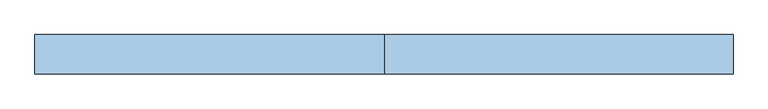
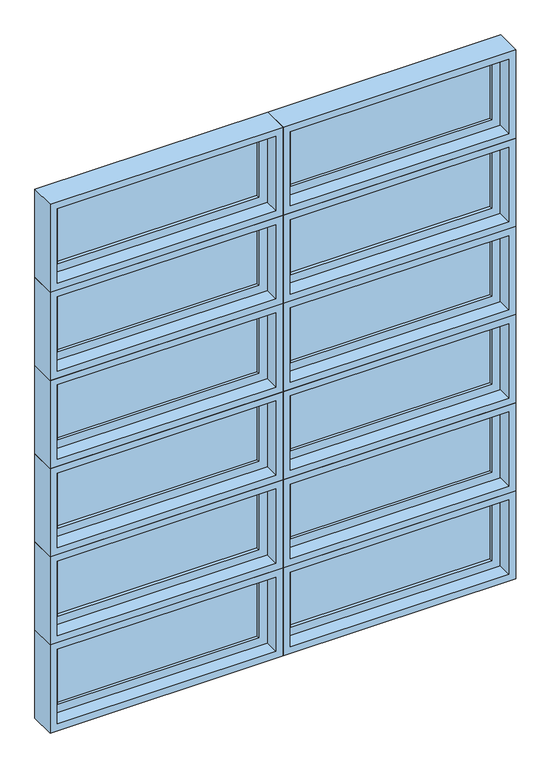
"""IFC4 building model written with IfcOpenShell, lengths in millimetres: window geometry."""

from ifc_helpers import new_model, si_unit, frame, origin, place, context, project, spatial, polyline, outline, extrude, faceted_brep, source, transform, mapped, element, save


def window_d417f07d(model_context):
    return source(origin(), model_context, "Body", "SolidModel", [
        faceted_brep([(-1891.8781766, 42.8625, 2959.1), (-901.2781766, 42.8625, 2959.1), (-901.2781766, 93.6625, 2959.1), (-1891.8781766, 93.6625, 2959.1), (-1872.8281766, -20.6375, 2978.15), (-920.3281766, -20.6375, 2978.15), (-920.3281766, 42.8625, 2978.15), (-1872.8281766, 42.8625, 2978.15), (-1904.5781766, 93.6625, 2946.4), (-888.5781766, 93.6625, 2946.4), (-888.5781766, -20.6375, 2946.4), (-1904.5781766, -20.6375, 2946.4), (-901.2781766, 42.8625, 3340.1), (-901.2781766, 93.6625, 3340.1), (-920.3281766, -20.6375, 3321.05), (-920.3281766, 42.8625, 3321.05), (-888.5781766, 93.6625, 3352.8), (-888.5781766, -20.6375, 3352.8), (-1891.8781766, 42.8625, 3340.1), (-1891.8781766, 93.6625, 3340.1), (-1872.8281766, -20.6375, 3321.05), (-1872.8281766, 42.8625, 3321.05), (-1904.5781766, 93.6625, 3352.8), (-1904.5781766, -20.6375, 3352.8)], [[[0, 1, 2, 3]], [[4, 5, 6, 7]], [[8, 9, 10, 11]], [[1, 12, 13, 2]], [[5, 14, 15, 6]], [[9, 16, 17, 10]], [[12, 18, 19, 13]], [[14, 20, 21, 15]], [[16, 22, 23, 17]], [[9, 8, 22, 16], [3, 2, 13, 19]], [[18, 0, 3, 19]], [[1, 0, 18, 12], [7, 6, 15, 21]], [[20, 4, 7, 21]], [[11, 10, 17, 23], [5, 4, 20, 14]], [[22, 8, 11, 23]]]),
        extrude(outline(polyline([(-1834.7281766, 74.6125), (-958.4281766, 74.6125), (-958.4281766, 68.2625), (-1834.7281766, 68.2625), (-1834.7281766, 74.6125)])), frame((0.0, 0.0, 3016.25), z_axis=(0.0, 0.0, 1.0), x_axis=(1.0, 0.0, 0.0)), (0.0, 0.0, 1.0), 266.7),
        extrude(outline(polyline([(-1834.7281766, 61.9125), (-958.4281766, 61.9125), (-958.4281766, 55.5625), (-1834.7281766, 55.5625), (-1834.7281766, 61.9125)])), frame((0.0, 0.0, 3016.25), z_axis=(0.0, 0.0, 1.0), x_axis=(1.0, 0.0, 0.0)), (0.0, 0.0, 1.0), 266.7),
        extrude(outline(polyline([(2959.1, -901.2781766), (3340.1, -901.2781766), (3340.1, -1891.8781766), (2959.1, -1891.8781766), (2959.1, -901.2781766)]), holes=[polyline([(3282.95, -958.4281766), (3016.25, -958.4281766), (3016.25, -1834.7281766), (3282.95, -1834.7281766), (3282.95, -958.4281766)])]), frame((0.0, 42.8625, 0.0), z_axis=(0.0, 1.0, 0.0), x_axis=(0.0, 0.0, 1.0)), (0.0, 0.0, 1.0), 44.45),
        faceted_brep([(-875.8781766, 42.8625, 2959.1), (114.7218234, 42.8625, 2959.1), (114.7218234, 93.6625, 2959.1), (-875.8781766, 93.6625, 2959.1), (-856.8281766, -20.6375, 2978.15), (95.6718234, -20.6375, 2978.15), (95.6718234, 42.8625, 2978.15), (-856.8281766, 42.8625, 2978.15), (-888.5781766, 93.6625, 2946.4), (127.4218234, 93.6625, 2946.4), (127.4218234, -20.6375, 2946.4), (-888.5781766, -20.6375, 2946.4), (114.7218234, 42.8625, 3340.1), (114.7218234, 93.6625, 3340.1), (95.6718234, -20.6375, 3321.05), (95.6718234, 42.8625, 3321.05), (127.4218234, 93.6625, 3352.8), (127.4218234, -20.6375, 3352.8), (-875.8781766, 42.8625, 3340.1), (-875.8781766, 93.6625, 3340.1), (-856.8281766, -20.6375, 3321.05), (-856.8281766, 42.8625, 3321.05), (-888.5781766, 93.6625, 3352.8), (-888.5781766, -20.6375, 3352.8)], [[[0, 1, 2, 3]], [[4, 5, 6, 7]], [[8, 9, 10, 11]], [[1, 12, 13, 2]], [[5, 14, 15, 6]], [[9, 16, 17, 10]], [[12, 18, 19, 13]], [[14, 20, 21, 15]], [[16, 22, 23, 17]], [[9, 8, 22, 16], [3, 2, 13, 19]], [[18, 0, 3, 19]], [[1, 0, 18, 12], [7, 6, 15, 21]], [[20, 4, 7, 21]], [[11, 10, 17, 23], [5, 4, 20, 14]], [[22, 8, 11, 23]]]),
        extrude(outline(polyline([(-818.7281766, 74.6125), (57.5718234, 74.6125), (57.5718234, 68.2625), (-818.7281766, 68.2625), (-818.7281766, 74.6125)])), frame((0.0, 0.0, 3016.25), z_axis=(0.0, 0.0, 1.0), x_axis=(1.0, 0.0, 0.0)), (0.0, 0.0, 1.0), 266.7),
        extrude(outline(polyline([(-818.7281766, 61.9125), (57.5718234, 61.9125), (57.5718234, 55.5625), (-818.7281766, 55.5625), (-818.7281766, 61.9125)])), frame((0.0, 0.0, 3016.25), z_axis=(0.0, 0.0, 1.0), x_axis=(1.0, 0.0, 0.0)), (0.0, 0.0, 1.0), 266.7),
        extrude(outline(polyline([(2959.1, 114.7218234), (3340.1, 114.7218234), (3340.1, -875.8781766), (2959.1, -875.8781766), (2959.1, 114.7218234)]), holes=[polyline([(3282.95, 57.5718234), (3016.25, 57.5718234), (3016.25, -818.7281766), (3282.95, -818.7281766), (3282.95, 57.5718234)])]), frame((0.0, 42.8625, 0.0), z_axis=(0.0, 1.0, 0.0), x_axis=(0.0, 0.0, 1.0)), (0.0, 0.0, 1.0), 44.45),
        faceted_brep([(-875.8781766, 42.8625, 2552.7), (114.7218234, 42.8625, 2552.7), (114.7218234, 93.6625, 2552.7), (-875.8781766, 93.6625, 2552.7), (-856.8281766, -20.6375, 2571.75), (95.6718234, -20.6375, 2571.75), (95.6718234, 42.8625, 2571.75), (-856.8281766, 42.8625, 2571.75), (-888.5781766, 93.6625, 2540.0), (127.4218234, 93.6625, 2540.0), (127.4218234, -20.6375, 2540.0), (-888.5781766, -20.6375, 2540.0), (114.7218234, 42.8625, 2933.7), (114.7218234, 93.6625, 2933.7), (95.6718234, -20.6375, 2914.65), (95.6718234, 42.8625, 2914.65), (127.4218234, 93.6625, 2946.4), (127.4218234, -20.6375, 2946.4), (-875.8781766, 42.8625, 2933.7), (-875.8781766, 93.6625, 2933.7), (-856.8281766, -20.6375, 2914.65), (-856.8281766, 42.8625, 2914.65), (-888.5781766, 93.6625, 2946.4), (-888.5781766, -20.6375, 2946.4)], [[[0, 1, 2, 3]], [[4, 5, 6, 7]], [[8, 9, 10, 11]], [[1, 12, 13, 2]], [[5, 14, 15, 6]], [[9, 16, 17, 10]], [[12, 18, 19, 13]], [[14, 20, 21, 15]], [[16, 22, 23, 17]], [[9, 8, 22, 16], [3, 2, 13, 19]], [[18, 0, 3, 19]], [[1, 0, 18, 12], [7, 6, 15, 21]], [[20, 4, 7, 21]], [[11, 10, 17, 23], [5, 4, 20, 14]], [[22, 8, 11, 23]]]),
        extrude(outline(polyline([(-818.7281766, 74.6125), (57.5718234, 74.6125), (57.5718234, 68.2625), (-818.7281766, 68.2625), (-818.7281766, 74.6125)])), frame((0.0, 0.0, 2609.85), z_axis=(0.0, 0.0, 1.0), x_axis=(1.0, 0.0, 0.0)), (0.0, 0.0, 1.0), 266.7),
        extrude(outline(polyline([(-818.7281766, 61.9125), (57.5718234, 61.9125), (57.5718234, 55.5625), (-818.7281766, 55.5625), (-818.7281766, 61.9125)])), frame((0.0, 0.0, 2609.85), z_axis=(0.0, 0.0, 1.0), x_axis=(1.0, 0.0, 0.0)), (0.0, 0.0, 1.0), 266.7),
        extrude(outline(polyline([(2552.7, 114.7218234), (2933.7, 114.7218234), (2933.7, -875.8781766), (2552.7, -875.8781766), (2552.7, 114.7218234)]), holes=[polyline([(2876.55, 57.5718234), (2609.85, 57.5718234), (2609.85, -818.7281766), (2876.55, -818.7281766), (2876.55, 57.5718234)])]), frame((0.0, 42.8625, 0.0), z_axis=(0.0, 1.0, 0.0), x_axis=(0.0, 0.0, 1.0)), (0.0, 0.0, 1.0), 44.45),
        faceted_brep([(-1891.8781766, 42.8625, 2552.7), (-901.2781766, 42.8625, 2552.7), (-901.2781766, 93.6625, 2552.7), (-1891.8781766, 93.6625, 2552.7), (-1872.8281766, -20.6375, 2571.75), (-920.3281766, -20.6375, 2571.75), (-920.3281766, 42.8625, 2571.75), (-1872.8281766, 42.8625, 2571.75), (-1904.5781766, 93.6625, 2540.0), (-888.5781766, 93.6625, 2540.0), (-888.5781766, -20.6375, 2540.0), (-1904.5781766, -20.6375, 2540.0), (-901.2781766, 42.8625, 2933.7), (-901.2781766, 93.6625, 2933.7), (-920.3281766, -20.6375, 2914.65), (-920.3281766, 42.8625, 2914.65), (-888.5781766, 93.6625, 2946.4), (-888.5781766, -20.6375, 2946.4), (-1891.8781766, 42.8625, 2933.7), (-1891.8781766, 93.6625, 2933.7), (-1872.8281766, -20.6375, 2914.65), (-1872.8281766, 42.8625, 2914.65), (-1904.5781766, 93.6625, 2946.4), (-1904.5781766, -20.6375, 2946.4)], [[[0, 1, 2, 3]], [[4, 5, 6, 7]], [[8, 9, 10, 11]], [[1, 12, 13, 2]], [[5, 14, 15, 6]], [[9, 16, 17, 10]], [[12, 18, 19, 13]], [[14, 20, 21, 15]], [[16, 22, 23, 17]], [[9, 8, 22, 16], [3, 2, 13, 19]], [[18, 0, 3, 19]], [[1, 0, 18, 12], [7, 6, 15, 21]], [[20, 4, 7, 21]], [[11, 10, 17, 23], [5, 4, 20, 14]], [[22, 8, 11, 23]]]),
        extrude(outline(polyline([(-1834.7281766, 74.6125), (-958.4281766, 74.6125), (-958.4281766, 68.2625), (-1834.7281766, 68.2625), (-1834.7281766, 74.6125)])), frame((0.0, 0.0, 2609.85), z_axis=(0.0, 0.0, 1.0), x_axis=(1.0, 0.0, 0.0)), (0.0, 0.0, 1.0), 266.7),
        extrude(outline(polyline([(-1834.7281766, 61.9125), (-958.4281766, 61.9125), (-958.4281766, 55.5625), (-1834.7281766, 55.5625), (-1834.7281766, 61.9125)])), frame((0.0, 0.0, 2609.85), z_axis=(0.0, 0.0, 1.0), x_axis=(1.0, 0.0, 0.0)), (0.0, 0.0, 1.0), 266.7),
        extrude(outline(polyline([(2552.7, -901.2781766), (2933.7, -901.2781766), (2933.7, -1891.8781766), (2552.7, -1891.8781766), (2552.7, -901.2781766)]), holes=[polyline([(2876.55, -958.4281766), (2609.85, -958.4281766), (2609.85, -1834.7281766), (2876.55, -1834.7281766), (2876.55, -958.4281766)])]), frame((0.0, 42.8625, 0.0), z_axis=(0.0, 1.0, 0.0), x_axis=(0.0, 0.0, 1.0)), (0.0, 0.0, 1.0), 44.45),
        faceted_brep([(-875.8781766, 42.8625, 2146.3), (114.7218234, 42.8625, 2146.3), (114.7218234, 93.6625, 2146.3), (-875.8781766, 93.6625, 2146.3), (-856.8281766, -20.6375, 2165.35), (95.6718234, -20.6375, 2165.35), (95.6718234, 42.8625, 2165.35), (-856.8281766, 42.8625, 2165.35), (-888.5781766, 93.6625, 2133.6), (127.4218234, 93.6625, 2133.6), (127.4218234, -20.6375, 2133.6), (-888.5781766, -20.6375, 2133.6), (114.7218234, 42.8625, 2527.3), (114.7218234, 93.6625, 2527.3), (95.6718234, -20.6375, 2508.25), (95.6718234, 42.8625, 2508.25), (127.4218234, 93.6625, 2540.0), (127.4218234, -20.6375, 2540.0), (-875.8781766, 42.8625, 2527.3), (-875.8781766, 93.6625, 2527.3), (-856.8281766, -20.6375, 2508.25), (-856.8281766, 42.8625, 2508.25), (-888.5781766, 93.6625, 2540.0), (-888.5781766, -20.6375, 2540.0)], [[[0, 1, 2, 3]], [[4, 5, 6, 7]], [[8, 9, 10, 11]], [[1, 12, 13, 2]], [[5, 14, 15, 6]], [[9, 16, 17, 10]], [[12, 18, 19, 13]], [[14, 20, 21, 15]], [[16, 22, 23, 17]], [[9, 8, 22, 16], [3, 2, 13, 19]], [[18, 0, 3, 19]], [[1, 0, 18, 12], [7, 6, 15, 21]], [[20, 4, 7, 21]], [[11, 10, 17, 23], [5, 4, 20, 14]], [[22, 8, 11, 23]]]),
        extrude(outline(polyline([(-818.7281766, 74.6125), (57.5718234, 74.6125), (57.5718234, 68.2625), (-818.7281766, 68.2625), (-818.7281766, 74.6125)])), frame((0.0, 0.0, 2203.45), z_axis=(0.0, 0.0, 1.0), x_axis=(1.0, 0.0, 0.0)), (0.0, 0.0, 1.0), 266.7),
        extrude(outline(polyline([(-818.7281766, 61.9125), (57.5718234, 61.9125), (57.5718234, 55.5625), (-818.7281766, 55.5625), (-818.7281766, 61.9125)])), frame((0.0, 0.0, 2203.45), z_axis=(0.0, 0.0, 1.0), x_axis=(1.0, 0.0, 0.0)), (0.0, 0.0, 1.0), 266.7),
        extrude(outline(polyline([(2146.3, 114.7218234), (2527.3, 114.7218234), (2527.3, -875.8781766), (2146.3, -875.8781766), (2146.3, 114.7218234)]), holes=[polyline([(2470.15, 57.5718234), (2203.45, 57.5718234), (2203.45, -818.7281766), (2470.15, -818.7281766), (2470.15, 57.5718234)])]), frame((0.0, 42.8625, 0.0), z_axis=(0.0, 1.0, 0.0), x_axis=(0.0, 0.0, 1.0)), (0.0, 0.0, 1.0), 44.45),
        faceted_brep([(-1891.8781766, 42.8625, 2146.3), (-901.2781766, 42.8625, 2146.3), (-901.2781766, 93.6625, 2146.3), (-1891.8781766, 93.6625, 2146.3), (-1872.8281766, -20.6375, 2165.35), (-920.3281766, -20.6375, 2165.35), (-920.3281766, 42.8625, 2165.35), (-1872.8281766, 42.8625, 2165.35), (-1904.5781766, 93.6625, 2133.6), (-888.5781766, 93.6625, 2133.6), (-888.5781766, -20.6375, 2133.6), (-1904.5781766, -20.6375, 2133.6), (-901.2781766, 42.8625, 2527.3), (-901.2781766, 93.6625, 2527.3), (-920.3281766, -20.6375, 2508.25), (-920.3281766, 42.8625, 2508.25), (-888.5781766, 93.6625, 2540.0), (-888.5781766, -20.6375, 2540.0), (-1891.8781766, 42.8625, 2527.3), (-1891.8781766, 93.6625, 2527.3), (-1872.8281766, -20.6375, 2508.25), (-1872.8281766, 42.8625, 2508.25), (-1904.5781766, 93.6625, 2540.0), (-1904.5781766, -20.6375, 2540.0)], [[[0, 1, 2, 3]], [[4, 5, 6, 7]], [[8, 9, 10, 11]], [[1, 12, 13, 2]], [[5, 14, 15, 6]], [[9, 16, 17, 10]], [[12, 18, 19, 13]], [[14, 20, 21, 15]], [[16, 22, 23, 17]], [[9, 8, 22, 16], [3, 2, 13, 19]], [[18, 0, 3, 19]], [[1, 0, 18, 12], [7, 6, 15, 21]], [[20, 4, 7, 21]], [[11, 10, 17, 23], [5, 4, 20, 14]], [[22, 8, 11, 23]]]),
        extrude(outline(polyline([(-1834.7281766, 74.6125), (-958.4281766, 74.6125), (-958.4281766, 68.2625), (-1834.7281766, 68.2625), (-1834.7281766, 74.6125)])), frame((0.0, 0.0, 2203.45), z_axis=(0.0, 0.0, 1.0), x_axis=(1.0, 0.0, 0.0)), (0.0, 0.0, 1.0), 266.7),
        extrude(outline(polyline([(-1834.7281766, 61.9125), (-958.4281766, 61.9125), (-958.4281766, 55.5625), (-1834.7281766, 55.5625), (-1834.7281766, 61.9125)])), frame((0.0, 0.0, 2203.45), z_axis=(0.0, 0.0, 1.0), x_axis=(1.0, 0.0, 0.0)), (0.0, 0.0, 1.0), 266.7),
        extrude(outline(polyline([(2146.3, -901.2781766), (2527.3, -901.2781766), (2527.3, -1891.8781766), (2146.3, -1891.8781766), (2146.3, -901.2781766)]), holes=[polyline([(2470.15, -958.4281766), (2203.45, -958.4281766), (2203.45, -1834.7281766), (2470.15, -1834.7281766), (2470.15, -958.4281766)])]), frame((0.0, 42.8625, 0.0), z_axis=(0.0, 1.0, 0.0), x_axis=(0.0, 0.0, 1.0)), (0.0, 0.0, 1.0), 44.45),
        faceted_brep([(-875.8781766, 42.8625, 1739.9), (114.7218234, 42.8625, 1739.9), (114.7218234, 93.6625, 1739.9), (-875.8781766, 93.6625, 1739.9), (-856.8281766, -20.6375, 1758.95), (95.6718234, -20.6375, 1758.95), (95.6718234, 42.8625, 1758.95), (-856.8281766, 42.8625, 1758.95), (-888.5781766, 93.6625, 1727.2), (127.4218234, 93.6625, 1727.2), (127.4218234, -20.6375, 1727.2), (-888.5781766, -20.6375, 1727.2), (114.7218234, 42.8625, 2120.9), (114.7218234, 93.6625, 2120.9), (95.6718234, -20.6375, 2101.85), (95.6718234, 42.8625, 2101.85), (127.4218234, 93.6625, 2133.6), (127.4218234, -20.6375, 2133.6), (-875.8781766, 42.8625, 2120.9), (-875.8781766, 93.6625, 2120.9), (-856.8281766, -20.6375, 2101.85), (-856.8281766, 42.8625, 2101.85), (-888.5781766, 93.6625, 2133.6), (-888.5781766, -20.6375, 2133.6)], [[[0, 1, 2, 3]], [[4, 5, 6, 7]], [[8, 9, 10, 11]], [[1, 12, 13, 2]], [[5, 14, 15, 6]], [[9, 16, 17, 10]], [[12, 18, 19, 13]], [[14, 20, 21, 15]], [[16, 22, 23, 17]], [[9, 8, 22, 16], [3, 2, 13, 19]], [[18, 0, 3, 19]], [[1, 0, 18, 12], [7, 6, 15, 21]], [[20, 4, 7, 21]], [[11, 10, 17, 23], [5, 4, 20, 14]], [[22, 8, 11, 23]]]),
        extrude(outline(polyline([(-818.7281766, 74.6125), (57.5718234, 74.6125), (57.5718234, 68.2625), (-818.7281766, 68.2625), (-818.7281766, 74.6125)])), frame((0.0, 0.0, 1797.05), z_axis=(0.0, 0.0, 1.0), x_axis=(1.0, 0.0, 0.0)), (0.0, 0.0, 1.0), 266.7),
        extrude(outline(polyline([(-818.7281766, 61.9125), (57.5718234, 61.9125), (57.5718234, 55.5625), (-818.7281766, 55.5625), (-818.7281766, 61.9125)])), frame((0.0, 0.0, 1797.05), z_axis=(0.0, 0.0, 1.0), x_axis=(1.0, 0.0, 0.0)), (0.0, 0.0, 1.0), 266.7),
        extrude(outline(polyline([(1739.9, 114.7218234), (2120.9, 114.7218234), (2120.9, -875.8781766), (1739.9, -875.8781766), (1739.9, 114.7218234)]), holes=[polyline([(2063.75, 57.5718234), (1797.05, 57.5718234), (1797.05, -818.7281766), (2063.75, -818.7281766), (2063.75, 57.5718234)])]), frame((0.0, 42.8625, 0.0), z_axis=(0.0, 1.0, 0.0), x_axis=(0.0, 0.0, 1.0)), (0.0, 0.0, 1.0), 44.45),
        faceted_brep([(-1891.8781766, 42.8625, 1739.9), (-901.2781766, 42.8625, 1739.9), (-901.2781766, 93.6625, 1739.9), (-1891.8781766, 93.6625, 1739.9), (-1872.8281766, -20.6375, 1758.95), (-920.3281766, -20.6375, 1758.95), (-920.3281766, 42.8625, 1758.95), (-1872.8281766, 42.8625, 1758.95), (-1904.5781766, 93.6625, 1727.2), (-888.5781766, 93.6625, 1727.2), (-888.5781766, -20.6375, 1727.2), (-1904.5781766, -20.6375, 1727.2), (-901.2781766, 42.8625, 2120.9), (-901.2781766, 93.6625, 2120.9), (-920.3281766, -20.6375, 2101.85), (-920.3281766, 42.8625, 2101.85), (-888.5781766, 93.6625, 2133.6), (-888.5781766, -20.6375, 2133.6), (-1891.8781766, 42.8625, 2120.9), (-1891.8781766, 93.6625, 2120.9), (-1872.8281766, -20.6375, 2101.85), (-1872.8281766, 42.8625, 2101.85), (-1904.5781766, 93.6625, 2133.6), (-1904.5781766, -20.6375, 2133.6)], [[[0, 1, 2, 3]], [[4, 5, 6, 7]], [[8, 9, 10, 11]], [[1, 12, 13, 2]], [[5, 14, 15, 6]], [[9, 16, 17, 10]], [[12, 18, 19, 13]], [[14, 20, 21, 15]], [[16, 22, 23, 17]], [[9, 8, 22, 16], [3, 2, 13, 19]], [[18, 0, 3, 19]], [[1, 0, 18, 12], [7, 6, 15, 21]], [[20, 4, 7, 21]], [[11, 10, 17, 23], [5, 4, 20, 14]], [[22, 8, 11, 23]]]),
        extrude(outline(polyline([(-1834.7281766, 74.6125), (-958.4281766, 74.6125), (-958.4281766, 68.2625), (-1834.7281766, 68.2625), (-1834.7281766, 74.6125)])), frame((0.0, 0.0, 1797.05), z_axis=(0.0, 0.0, 1.0), x_axis=(1.0, 0.0, 0.0)), (0.0, 0.0, 1.0), 266.7),
        extrude(outline(polyline([(-1834.7281766, 61.9125), (-958.4281766, 61.9125), (-958.4281766, 55.5625), (-1834.7281766, 55.5625), (-1834.7281766, 61.9125)])), frame((0.0, 0.0, 1797.05), z_axis=(0.0, 0.0, 1.0), x_axis=(1.0, 0.0, 0.0)), (0.0, 0.0, 1.0), 266.7),
        extrude(outline(polyline([(1739.9, -901.2781766), (2120.9, -901.2781766), (2120.9, -1891.8781766), (1739.9, -1891.8781766), (1739.9, -901.2781766)]), holes=[polyline([(2063.75, -958.4281766), (1797.05, -958.4281766), (1797.05, -1834.7281766), (2063.75, -1834.7281766), (2063.75, -958.4281766)])]), frame((0.0, 42.8625, 0.0), z_axis=(0.0, 1.0, 0.0), x_axis=(0.0, 0.0, 1.0)), (0.0, 0.0, 1.0), 44.45),
        faceted_brep([(-875.8781766, 42.8625, 1333.5), (114.7218234, 42.8625, 1333.5), (114.7218234, 93.6625, 1333.5), (-875.8781766, 93.6625, 1333.5), (-856.8281766, -20.6375, 1352.55), (95.6718234, -20.6375, 1352.55), (95.6718234, 42.8625, 1352.55), (-856.8281766, 42.8625, 1352.55), (-888.5781766, 93.6625, 1320.8), (127.4218234, 93.6625, 1320.8), (127.4218234, -20.6375, 1320.8), (-888.5781766, -20.6375, 1320.8), (114.7218234, 42.8625, 1714.5), (114.7218234, 93.6625, 1714.5), (95.6718234, -20.6375, 1695.45), (95.6718234, 42.8625, 1695.45), (127.4218234, 93.6625, 1727.2), (127.4218234, -20.6375, 1727.2), (-875.8781766, 42.8625, 1714.5), (-875.8781766, 93.6625, 1714.5), (-856.8281766, -20.6375, 1695.45), (-856.8281766, 42.8625, 1695.45), (-888.5781766, 93.6625, 1727.2), (-888.5781766, -20.6375, 1727.2)], [[[0, 1, 2, 3]], [[4, 5, 6, 7]], [[8, 9, 10, 11]], [[1, 12, 13, 2]], [[5, 14, 15, 6]], [[9, 16, 17, 10]], [[12, 18, 19, 13]], [[14, 20, 21, 15]], [[16, 22, 23, 17]], [[9, 8, 22, 16], [3, 2, 13, 19]], [[18, 0, 3, 19]], [[1, 0, 18, 12], [7, 6, 15, 21]], [[20, 4, 7, 21]], [[11, 10, 17, 23], [5, 4, 20, 14]], [[22, 8, 11, 23]]]),
        extrude(outline(polyline([(-818.7281766, 74.6125), (57.5718234, 74.6125), (57.5718234, 68.2625), (-818.7281766, 68.2625), (-818.7281766, 74.6125)])), frame((0.0, 0.0, 1390.65), z_axis=(0.0, 0.0, 1.0), x_axis=(1.0, 0.0, 0.0)), (0.0, 0.0, 1.0), 266.7),
        extrude(outline(polyline([(-818.7281766, 61.9125), (57.5718234, 61.9125), (57.5718234, 55.5625), (-818.7281766, 55.5625), (-818.7281766, 61.9125)])), frame((0.0, 0.0, 1390.65), z_axis=(0.0, 0.0, 1.0), x_axis=(1.0, 0.0, 0.0)), (0.0, 0.0, 1.0), 266.7),
        extrude(outline(polyline([(1333.5, 114.7218234), (1714.5, 114.7218234), (1714.5, -875.8781766), (1333.5, -875.8781766), (1333.5, 114.7218234)]), holes=[polyline([(1657.35, 57.5718234), (1390.65, 57.5718234), (1390.65, -818.7281766), (1657.35, -818.7281766), (1657.35, 57.5718234)])]), frame((0.0, 42.8625, 0.0), z_axis=(0.0, 1.0, 0.0), x_axis=(0.0, 0.0, 1.0)), (0.0, 0.0, 1.0), 44.45),
        faceted_brep([(-1891.8781766, 42.8625, 1333.5), (-901.2781766, 42.8625, 1333.5), (-901.2781766, 93.6625, 1333.5), (-1891.8781766, 93.6625, 1333.5), (-1872.8281766, -20.6375, 1352.55), (-920.3281766, -20.6375, 1352.55), (-920.3281766, 42.8625, 1352.55), (-1872.8281766, 42.8625, 1352.55), (-1904.5781766, 93.6625, 1320.8), (-888.5781766, 93.6625, 1320.8), (-888.5781766, -20.6375, 1320.8), (-1904.5781766, -20.6375, 1320.8), (-901.2781766, 42.8625, 1714.5), (-901.2781766, 93.6625, 1714.5), (-920.3281766, -20.6375, 1695.45), (-920.3281766, 42.8625, 1695.45), (-888.5781766, 93.6625, 1727.2), (-888.5781766, -20.6375, 1727.2), (-1891.8781766, 42.8625, 1714.5), (-1891.8781766, 93.6625, 1714.5), (-1872.8281766, -20.6375, 1695.45), (-1872.8281766, 42.8625, 1695.45), (-1904.5781766, 93.6625, 1727.2), (-1904.5781766, -20.6375, 1727.2)], [[[0, 1, 2, 3]], [[4, 5, 6, 7]], [[8, 9, 10, 11]], [[1, 12, 13, 2]], [[5, 14, 15, 6]], [[9, 16, 17, 10]], [[12, 18, 19, 13]], [[14, 20, 21, 15]], [[16, 22, 23, 17]], [[9, 8, 22, 16], [3, 2, 13, 19]], [[18, 0, 3, 19]], [[1, 0, 18, 12], [7, 6, 15, 21]], [[20, 4, 7, 21]], [[11, 10, 17, 23], [5, 4, 20, 14]], [[22, 8, 11, 23]]]),
        extrude(outline(polyline([(-1834.7281766, 74.6125), (-958.4281766, 74.6125), (-958.4281766, 68.2625), (-1834.7281766, 68.2625), (-1834.7281766, 74.6125)])), frame((0.0, 0.0, 1390.65), z_axis=(0.0, 0.0, 1.0), x_axis=(1.0, 0.0, 0.0)), (0.0, 0.0, 1.0), 266.7),
        extrude(outline(polyline([(-1834.7281766, 61.9125), (-958.4281766, 61.9125), (-958.4281766, 55.5625), (-1834.7281766, 55.5625), (-1834.7281766, 61.9125)])), frame((0.0, 0.0, 1390.65), z_axis=(0.0, 0.0, 1.0), x_axis=(1.0, 0.0, 0.0)), (0.0, 0.0, 1.0), 266.7),
        extrude(outline(polyline([(1333.5, -901.2781766), (1714.5, -901.2781766), (1714.5, -1891.8781766), (1333.5, -1891.8781766), (1333.5, -901.2781766)]), holes=[polyline([(1657.35, -958.4281766), (1390.65, -958.4281766), (1390.65, -1834.7281766), (1657.35, -1834.7281766), (1657.35, -958.4281766)])]), frame((0.0, 42.8625, 0.0), z_axis=(0.0, 1.0, 0.0), x_axis=(0.0, 0.0, 1.0)), (0.0, 0.0, 1.0), 44.45),
        faceted_brep([(-875.8781766, 42.8625, 927.1), (114.7218234, 42.8625, 927.1), (114.7218234, 93.6625, 927.1), (-875.8781766, 93.6625, 927.1), (-856.8281766, -20.6375, 946.15), (95.6718234, -20.6375, 946.15), (95.6718234, 42.8625, 946.15), (-856.8281766, 42.8625, 946.15), (-888.5781766, 93.6625, 914.4), (127.4218234, 93.6625, 914.4), (127.4218234, -20.6375, 914.4), (-888.5781766, -20.6375, 914.4), (114.7218234, 42.8625, 1308.1), (114.7218234, 93.6625, 1308.1), (95.6718234, -20.6375, 1289.05), (95.6718234, 42.8625, 1289.05), (127.4218234, 93.6625, 1320.8), (127.4218234, -20.6375, 1320.8), (-875.8781766, 42.8625, 1308.1), (-875.8781766, 93.6625, 1308.1), (-856.8281766, -20.6375, 1289.05), (-856.8281766, 42.8625, 1289.05), (-888.5781766, 93.6625, 1320.8), (-888.5781766, -20.6375, 1320.8)], [[[0, 1, 2, 3]], [[4, 5, 6, 7]], [[8, 9, 10, 11]], [[1, 12, 13, 2]], [[5, 14, 15, 6]], [[9, 16, 17, 10]], [[12, 18, 19, 13]], [[14, 20, 21, 15]], [[16, 22, 23, 17]], [[9, 8, 22, 16], [3, 2, 13, 19]], [[18, 0, 3, 19]], [[1, 0, 18, 12], [7, 6, 15, 21]], [[20, 4, 7, 21]], [[11, 10, 17, 23], [5, 4, 20, 14]], [[22, 8, 11, 23]]]),
        extrude(outline(polyline([(-818.7281766, 74.6125), (57.5718234, 74.6125), (57.5718234, 68.2625), (-818.7281766, 68.2625), (-818.7281766, 74.6125)])), frame((0.0, 0.0, 984.25), z_axis=(0.0, 0.0, 1.0), x_axis=(1.0, 0.0, 0.0)), (0.0, 0.0, 1.0), 266.7),
        extrude(outline(polyline([(-818.7281766, 61.9125), (57.5718234, 61.9125), (57.5718234, 55.5625), (-818.7281766, 55.5625), (-818.7281766, 61.9125)])), frame((0.0, 0.0, 984.25), z_axis=(0.0, 0.0, 1.0), x_axis=(1.0, 0.0, 0.0)), (0.0, 0.0, 1.0), 266.7),
        extrude(outline(polyline([(927.1, 114.7218234), (1308.1, 114.7218234), (1308.1, -875.8781766), (927.1, -875.8781766), (927.1, 114.7218234)]), holes=[polyline([(1250.95, 57.5718234), (984.25, 57.5718234), (984.25, -818.7281766), (1250.95, -818.7281766), (1250.95, 57.5718234)])]), frame((0.0, 42.8625, 0.0), z_axis=(0.0, 1.0, 0.0), x_axis=(0.0, 0.0, 1.0)), (0.0, 0.0, 1.0), 44.45),
        faceted_brep([(-1891.8781766, 42.8625, 927.1), (-901.2781766, 42.8625, 927.1), (-901.2781766, 93.6625, 927.1), (-1891.8781766, 93.6625, 927.1), (-1872.8281766, -20.6375, 946.15), (-920.3281766, -20.6375, 946.15), (-920.3281766, 42.8625, 946.15), (-1872.8281766, 42.8625, 946.15), (-1904.5781766, 93.6625, 914.4), (-888.5781766, 93.6625, 914.4), (-888.5781766, -20.6375, 914.4), (-1904.5781766, -20.6375, 914.4), (-901.2781766, 42.8625, 1308.1), (-901.2781766, 93.6625, 1308.1), (-920.3281766, -20.6375, 1289.05), (-920.3281766, 42.8625, 1289.05), (-888.5781766, 93.6625, 1320.8), (-888.5781766, -20.6375, 1320.8), (-1891.8781766, 42.8625, 1308.1), (-1891.8781766, 93.6625, 1308.1), (-1872.8281766, -20.6375, 1289.05), (-1872.8281766, 42.8625, 1289.05), (-1904.5781766, 93.6625, 1320.8), (-1904.5781766, -20.6375, 1320.8)], [[[0, 1, 2, 3]], [[4, 5, 6, 7]], [[8, 9, 10, 11]], [[1, 12, 13, 2]], [[5, 14, 15, 6]], [[9, 16, 17, 10]], [[12, 18, 19, 13]], [[14, 20, 21, 15]], [[16, 22, 23, 17]], [[9, 8, 22, 16], [3, 2, 13, 19]], [[18, 0, 3, 19]], [[1, 0, 18, 12], [7, 6, 15, 21]], [[20, 4, 7, 21]], [[11, 10, 17, 23], [5, 4, 20, 14]], [[22, 8, 11, 23]]]),
        extrude(outline(polyline([(-1834.7281766, 74.6125), (-958.4281766, 74.6125), (-958.4281766, 68.2625), (-1834.7281766, 68.2625), (-1834.7281766, 74.6125)])), frame((0.0, 0.0, 984.25), z_axis=(0.0, 0.0, 1.0), x_axis=(1.0, 0.0, 0.0)), (0.0, 0.0, 1.0), 266.7),
        extrude(outline(polyline([(-1834.7281766, 61.9125), (-958.4281766, 61.9125), (-958.4281766, 55.5625), (-1834.7281766, 55.5625), (-1834.7281766, 61.9125)])), frame((0.0, 0.0, 984.25), z_axis=(0.0, 0.0, 1.0), x_axis=(1.0, 0.0, 0.0)), (0.0, 0.0, 1.0), 266.7),
        extrude(outline(polyline([(927.1, -901.2781766), (1308.1, -901.2781766), (1308.1, -1891.8781766), (927.1, -1891.8781766), (927.1, -901.2781766)]), holes=[polyline([(1250.95, -958.4281766), (984.25, -958.4281766), (984.25, -1834.7281766), (1250.95, -1834.7281766), (1250.95, -958.4281766)])]), frame((0.0, 42.8625, 0.0), z_axis=(0.0, 1.0, 0.0), x_axis=(0.0, 0.0, 1.0)), (0.0, 0.0, 1.0), 44.45),
    ])


if __name__ == "__main__":
    model = new_model("IFC4")
    model_context = context("Model", 3, world=origin())
    ifc_project = project(units=[si_unit("LENGTHUNIT", "METRE", prefix="MILLI")], contexts=[model_context])
    site = spatial("IfcSite", under=ifc_project)
    building = spatial("IfcBuilding", under=site)
    placement = place(None, origin())
    window_shape = window_d417f07d(model_context)
    element("IfcWindow", 1, at=placement, inside=building, context=model_context, shape_type="MappedRepresentation", body=[
        mapped(window_shape, transform((0.0, 0.0, 0.0), x_axis=(1.0, 0.0, 0.0), y_axis=(0.0, 1.0, 0.0), z_axis=(0.0, 0.0, 1.0))),
    ])
    save(model, "model.ifc")
